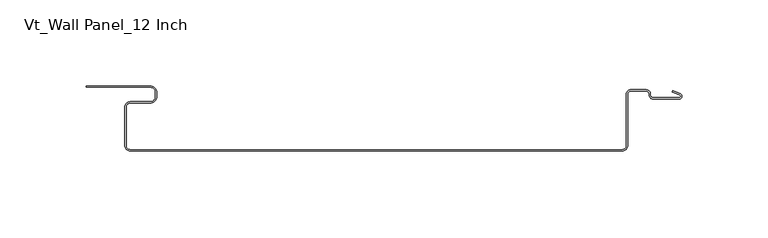
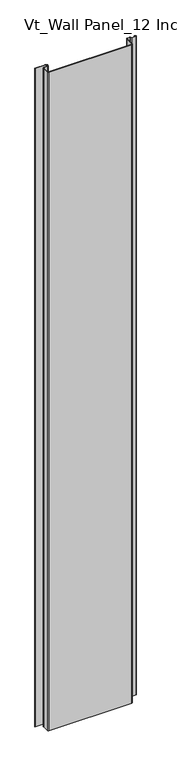
"""IFC4 building model written with IfcOpenShell, lengths in millimetres: plate geometry, Vt_Wall Panel_12 Inch."""

from ifc_helpers import new_model, si_unit, point, frame_2d, origin, origin_with_axes, place, context, project, spatial, polyline, circle_curve, trimmed, segment, composite_curve, outline, extrude, source, transform, mapped, element, save


def vt_wall_panel_12_inch_14207532(model_context):
    return source(origin(), model_context, "Body", "SweptSolid", [
        extrude(outline(composite_curve([segment(polyline([(135.979134, -38.0), (-149.80689, -38.0)]), True, "CONTINUOUS"), segment(trimmed(circle_curve(frame_2d((-149.80689, -34.70689)), 3.29311), [point((-149.80689, -38.0))], [point((-153.1, -34.70689))], False, "CARTESIAN"), True, "CONTINUOUS"), segment(polyline([(-153.1, -34.70689), (-153.1, -12.42347)]), True, "CONTINUOUS"), segment(trimmed(circle_curve(frame_2d((-149.925, -12.42347)), 3.175), [point((-153.1, -12.42347))], [point((-149.925, -9.24847))], False, "CARTESIAN"), True, "CONTINUOUS"), segment(polyline([(-149.925, -9.24847), (-138.392765, -9.24847)]), True, "CONTINUOUS"), segment(trimmed(circle_curve(frame_2d((-138.392765, -6.07347)), 3.175), [point((-138.392765, -9.24847))], [point((-135.217765, -6.07347))], True, "CARTESIAN"), True, "CONTINUOUS"), segment(polyline([(-135.217765, -6.07347), (-135.217765, -3.975)]), True, "CONTINUOUS"), segment(trimmed(circle_curve(frame_2d((-138.392765, -3.975)), 3.175), [point((-135.217765, -3.975))], [point((-138.392765, -0.8))], True, "CARTESIAN"), True, "CONTINUOUS"), segment(polyline([(-138.392765, -0.8), (-175.580905, -0.8), (-175.580905, 0.0), (-138.392765, 0.0)]), True, "CONTINUOUS"), segment(trimmed(circle_curve(frame_2d((-138.392765, -3.975)), 3.975), [point((-138.392765, 0.0))], [point((-134.417765, -3.975))], False, "CARTESIAN"), True, "CONTINUOUS"), segment(polyline([(-134.417765, -3.975), (-134.417765, -6.07347)]), True, "CONTINUOUS"), segment(trimmed(circle_curve(frame_2d((-138.392765, -6.07347)), 3.975), [point((-134.417765, -6.07347))], [point((-138.392765, -10.04847))], False, "CARTESIAN"), True, "CONTINUOUS"), segment(polyline([(-138.392765, -10.04847), (-149.925, -10.04847)]), True, "CONTINUOUS"), segment(trimmed(circle_curve(frame_2d((-149.925, -12.42347)), 2.375), [point((-149.925, -10.04847))], [point((-152.3, -12.42347))], True, "CARTESIAN"), True, "CONTINUOUS"), segment(polyline([(-152.3, -12.42347), (-152.3, -34.70689)]), True, "CONTINUOUS"), segment(trimmed(circle_curve(frame_2d((-149.80689, -34.70689)), 2.49311), [point((-152.3, -34.70689))], [point((-149.80689, -37.2))], True, "CARTESIAN"), True, "CONTINUOUS"), segment(polyline([(-149.80689, -37.2), (135.979134, -37.2)]), True, "CONTINUOUS"), segment(trimmed(circle_curve(frame_2d((135.979134, -34.70689)), 2.49311), [point((135.979134, -37.2))], [point((138.472244, -34.70689))], True, "CARTESIAN"), True, "CONTINUOUS"), segment(polyline([(138.472244, -34.70689), (138.472244, -4.6804414)]), True, "CONTINUOUS"), segment(trimmed(circle_curve(frame_2d((140.8612174, -4.6804414)), 2.3889734), [point((138.472244, -4.6804414))], [point((140.8612174, -2.291468))], False, "CARTESIAN"), True, "CONTINUOUS"), segment(polyline([(140.8612174, -2.291468), (150.1121651, -2.291468)]), True, "CONTINUOUS"), segment(trimmed(circle_curve(frame_2d((150.1121651, -4.6804414)), 2.3889734), [point((150.1121651, -2.291468))], [point((152.4371634, -4.1312816))], False, "CARTESIAN"), True, "CONTINUOUS"), segment(polyline([(152.4371634, -4.1312816), (152.5184991, -5.4826235)]), True, "CONTINUOUS"), segment(trimmed(circle_curve(frame_2d((154.19936, -5.2325612)), 1.69936), [point((152.5184991, -5.4826235))], [point((154.1879219, -6.9318827))], True, "CARTESIAN"), True, "CONTINUOUS"), segment(polyline([(154.1879219, -6.9318827), (169.1464919, -6.9318827)]), True, "CONTINUOUS"), segment(trimmed(circle_curve(frame_2d((169.1375673, -6.0433563)), 0.8885712), [point((169.1464919, -6.9318827))], [point((169.5522866, -5.2575023))], True, "CARTESIAN"), True, "CONTINUOUS"), segment(polyline([(169.5522866, -5.2575023), (165.0836596, -3.4911982), (165.3777345, -2.747209), (169.8805278, -4.5270179)]), True, "CONTINUOUS"), segment(trimmed(circle_curve(frame_2d((169.1375673, -6.0433563)), 1.6885712), [point((169.8805278, -4.5270179))], [point((169.1498701, -7.7318827))], False, "CARTESIAN"), True, "CONTINUOUS"), segment(polyline([(169.1498701, -7.7318827), (154.1854884, -7.7318827)]), True, "CONTINUOUS"), segment(trimmed(circle_curve(frame_2d((154.19936, -5.2325612)), 2.49936), [point((154.1854884, -7.7318827))], [point((151.7272079, -5.6003442))], False, "CARTESIAN"), True, "CONTINUOUS"), segment(polyline([(151.7272079, -5.6003442), (151.6912123, -4.5031105)]), True, "CONTINUOUS"), segment(trimmed(circle_curve(frame_2d((150.1121651, -4.6804414)), 1.5889734), [point((151.6912123, -4.5031105))], [point((150.1121651, -3.091468))], True, "CARTESIAN"), True, "CONTINUOUS"), segment(polyline([(150.1121651, -3.091468), (140.8612174, -3.091468)]), True, "CONTINUOUS"), segment(trimmed(circle_curve(frame_2d((140.8612174, -4.6804414)), 1.5889734), [point((140.8612174, -3.091468))], [point((139.272244, -4.6804414))], True, "CARTESIAN"), True, "CONTINUOUS"), segment(polyline([(139.272244, -4.6804414), (139.272244, -34.70689)]), True, "CONTINUOUS"), segment(trimmed(circle_curve(frame_2d((135.979134, -34.70689)), 3.29311), [point((139.272244, -34.70689))], [point((135.979134, -38.0))], False, "CARTESIAN"), True, "CONTINUOUS")], self_intersect=False)), origin_with_axes(), (0.0, 0.0, 1.0), 2400.0),
    ])


if __name__ == "__main__":
    model = new_model("IFC4")
    model_context = context("Model", 3, world=origin())
    ifc_project = project(units=[si_unit("LENGTHUNIT", "METRE", prefix="MILLI")], contexts=[model_context])
    site = spatial("IfcSite", under=ifc_project)
    building = spatial("IfcBuilding", under=site)
    placement = place(None, origin())
    vt_wall_panel_12_inch_shape = vt_wall_panel_12_inch_14207532(model_context)
    element("IfcPlate", 1, ObjectType="Vt_Wall Panel_12 Inch", at=placement, inside=building, context=model_context, shape_type="MappedRepresentation", body=[
        mapped(vt_wall_panel_12_inch_shape, transform((0.0, 0.0, 0.0), x_axis=(1.0, 0.0, 0.0), y_axis=(0.0, 1.0, 0.0), z_axis=(0.0, 0.0, 1.0))),
    ])
    save(model, "model.ifc")
